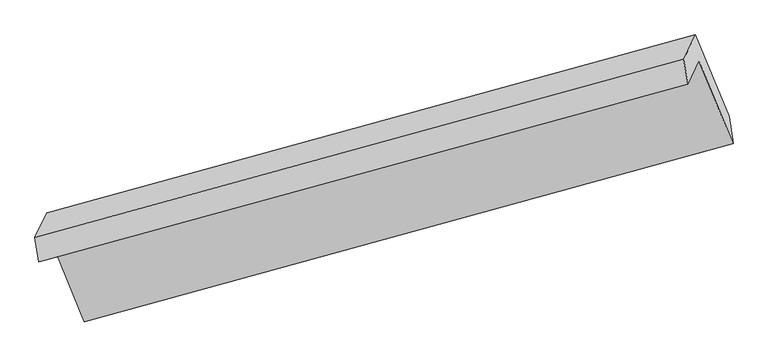
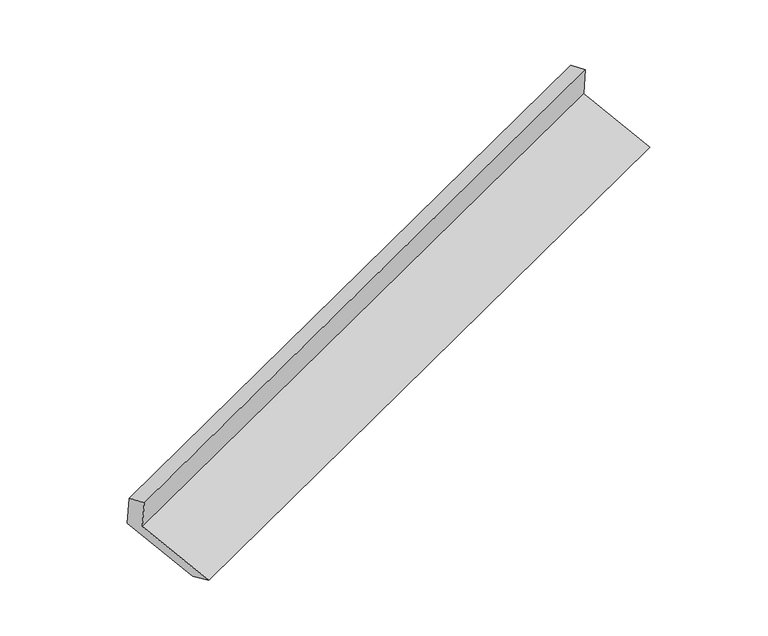
"""IFC4 building model written with IfcOpenShell, lengths in millimetres: proxy geometry."""

from ifc_helpers import new_model, si_unit, frame, origin, place, context, project, spatial, polyline, outline, extrude, source, transform, mapped, element, save


def generic_models_757cc9af(model_context):
    return source(origin(), model_context, "Body", "SweptSolid", [
        extrude(outline(polyline([(-66.0379976, -151.0705272), (326.0414382, -151.0705273), (210.0644761, -295.2657547), (-202.0149597, -295.2657546), (-202.0149597, 369.2386683), (-66.0379976, 523.4338956), (-66.0379976, -151.0705272)])), frame((-5154.9385039, -2135.4032282, 1109.8787051), z_axis=(0.9120009216304867, 0.2503450994891163, 0.3249333010125734), x_axis=(-0.19975812958034198, -0.42081052889005294, 0.8848814544569443)), (0.0, 0.0, 1.0), 5030.5195664),
    ])


if __name__ == "__main__":
    model = new_model("IFC4")
    model_context = context("Model", 3, world=origin())
    ifc_project = project(units=[si_unit("LENGTHUNIT", "METRE", prefix="MILLI")], contexts=[model_context])
    site = spatial("IfcSite", under=ifc_project)
    building = spatial("IfcBuilding", under=site)
    placement = place(None, origin())
    generic_models_shape = generic_models_757cc9af(model_context)
    element("IfcBuildingElementProxy", 1, Name="Generic Models", at=placement, inside=building, context=model_context, shape_type="MappedRepresentation", body=[
        mapped(generic_models_shape, transform((0.0, 0.0, 0.0), x_axis=(1.0, 0.0, 0.0), y_axis=(0.0, 1.0, 0.0), z_axis=(0.0, 0.0, 1.0))),
    ])
    save(model, "model.ifc")
